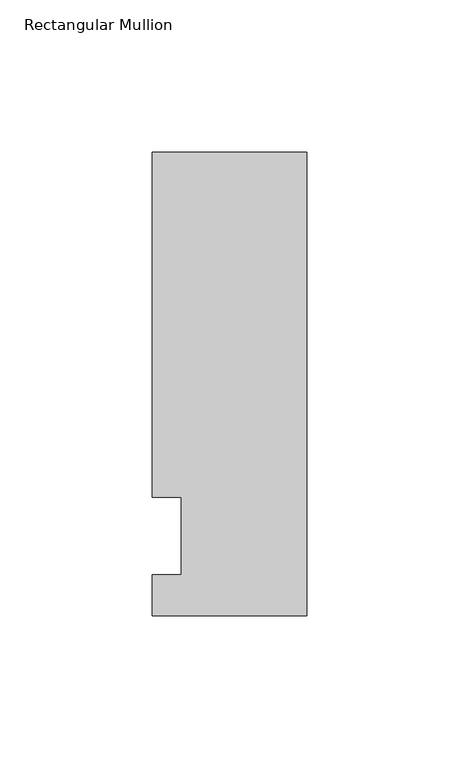
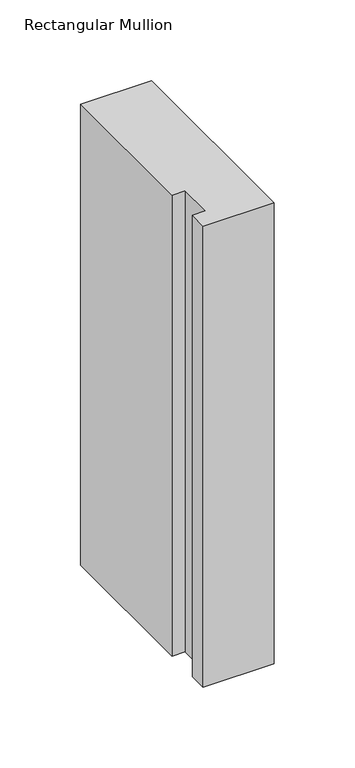
"""IFC4 building model written with IfcOpenShell, lengths in millimetres: member geometry, Rectangular Mullion."""

from ifc_helpers import new_model, si_unit, frame, origin, place, context, project, spatial, polyline, outline, extrude, source, transform, mapped, element, save


def rectangular_mullion_9119f995(model_context):
    return source(origin(), model_context, "Body", "SweptSolid", [
        extrude(outline(polyline([(-50.8, -26.19375), (-50.8, -12.7), (-41.275, -12.7), (-41.275, 12.7), (-50.8, 12.7), (-50.8, 126.20625), (0.0, 126.20625), (0.0, -26.19375), (-50.8, -26.19375)])), frame((0.0, 0.0, -349.25), z_axis=(0.0, 0.0, 1.0), x_axis=(1.0, 0.0, 0.0)), (0.0, 0.0, 1.0), 349.25),
    ])


if __name__ == "__main__":
    model = new_model("IFC4")
    model_context = context("Model", 3, world=origin())
    ifc_project = project(units=[si_unit("LENGTHUNIT", "METRE", prefix="MILLI")], contexts=[model_context])
    site = spatial("IfcSite", under=ifc_project)
    building = spatial("IfcBuilding", under=site)
    placement = place(None, origin())
    rectangular_mullion_shape = rectangular_mullion_9119f995(model_context)
    element("IfcMember", 1, ObjectType="Rectangular Mullion", at=placement, inside=building, context=model_context, shape_type="MappedRepresentation", body=[
        mapped(rectangular_mullion_shape, transform((0.0, 0.0, 0.0), x_axis=(1.0, 0.0, 0.0), y_axis=(0.0, 1.0, 0.0), z_axis=(0.0, 0.0, 1.0))),
    ])
    save(model, "model.ifc")
